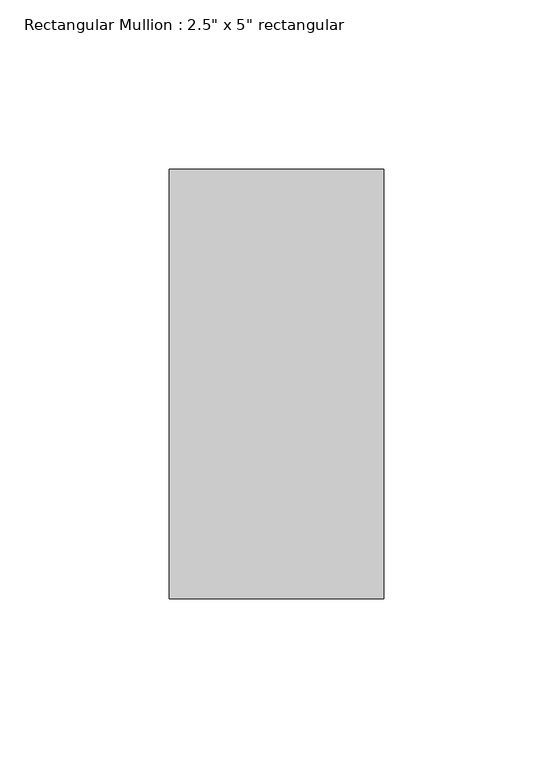
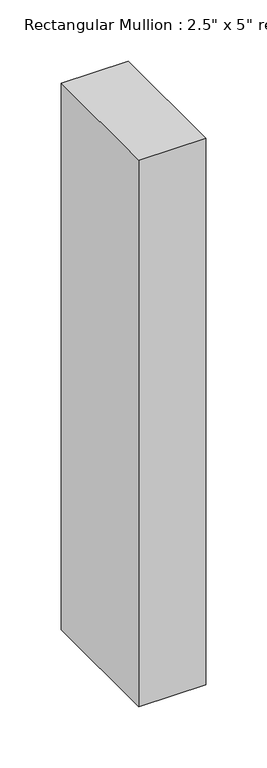
"""IFC4 building model written with IfcOpenShell, lengths in millimetres: member geometry."""

from ifc_helpers import new_model, si_unit, frame, origin, place, context, project, spatial, polyline, outline, extrude, source, transform, mapped, element, save


def member_2e4c1097(model_context):
    return source(origin(), model_context, "Body", "SweptSolid", [
        extrude(outline(polyline([(0.0, 63.5), (0.0, -63.5), (-63.5, -63.5), (-63.5, 63.5), (0.0, 63.5)])), frame((0.0, 0.0, -546.4374379), z_axis=(0.0, 0.0, 1.0), x_axis=(1.0, 0.0, 0.0)), (0.0, 0.0, 1.0), 546.4374379),
    ])


if __name__ == "__main__":
    model = new_model("IFC4")
    model_context = context("Model", 3, world=origin())
    ifc_project = project(units=[si_unit("LENGTHUNIT", "METRE", prefix="MILLI")], contexts=[model_context])
    site = spatial("IfcSite", under=ifc_project)
    building = spatial("IfcBuilding", under=site)
    placement = place(None, origin())
    member_shape = member_2e4c1097(model_context)
    element("IfcMember", 1, ObjectType="Rectangular Mullion : 2.5\" x 5\" rectangular", at=placement, inside=building, context=model_context, shape_type="MappedRepresentation", body=[
        mapped(member_shape, transform((0.0, 0.0, 0.0), x_axis=(1.0, 0.0, 0.0), y_axis=(0.0, 1.0, 0.0), z_axis=(0.0, 0.0, 1.0))),
    ])
    save(model, "model.ifc")
